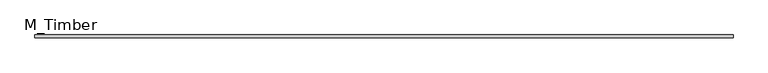
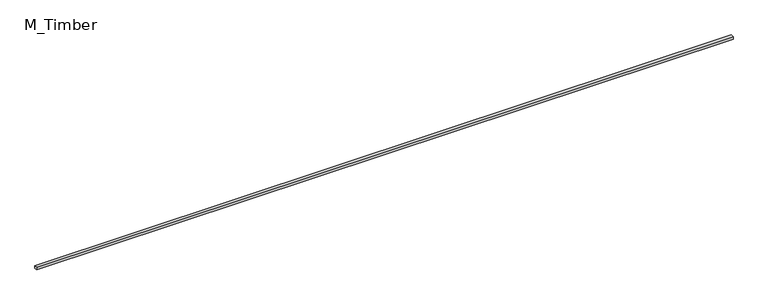
"""IFC4 building model written with IfcOpenShell, lengths in millimetres: beam geometry, M_Timber."""

from ifc_helpers import new_model, si_unit, frame, origin, place, context, project, spatial, polyline, outline, extrude, source, transform, mapped, element, save


def m_timber_7b998c74(model_context):
    return source(origin(), model_context, "Body", "SweptSolid", [
        extrude(outline(polyline([(7496.4825413, 30.0), (7496.4825413, -30.0), (-7496.4825413, -30.0), (-7496.4825413, 30.0), (7496.4825413, 30.0)])), frame((0.0, 0.0, -30.0), z_axis=(0.0, 0.0, 1.0), x_axis=(1.0, 0.0, 0.0)), (0.0, 0.0, 1.0), 60.0),
    ])


if __name__ == "__main__":
    model = new_model("IFC4")
    model_context = context("Model", 3, world=origin())
    ifc_project = project(units=[si_unit("LENGTHUNIT", "METRE", prefix="MILLI")], contexts=[model_context])
    site = spatial("IfcSite", under=ifc_project)
    building = spatial("IfcBuilding", under=site)
    placement = place(None, origin())
    m_timber_shape = m_timber_7b998c74(model_context)
    element("IfcBeam", 1, ObjectType="M_Timber", at=placement, inside=building, context=model_context, shape_type="MappedRepresentation", body=[
        mapped(m_timber_shape, transform((0.0, 0.0, 0.0), x_axis=(1.0, 0.0, 0.0), y_axis=(0.0, 1.0, 0.0), z_axis=(0.0, 0.0, 1.0))),
    ])
    save(model, "model.ifc")
